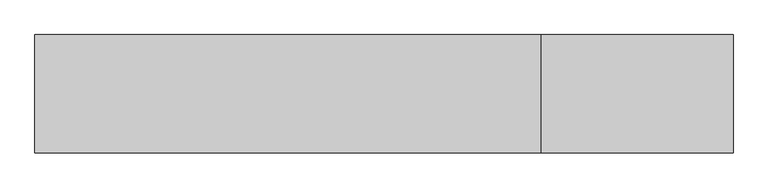
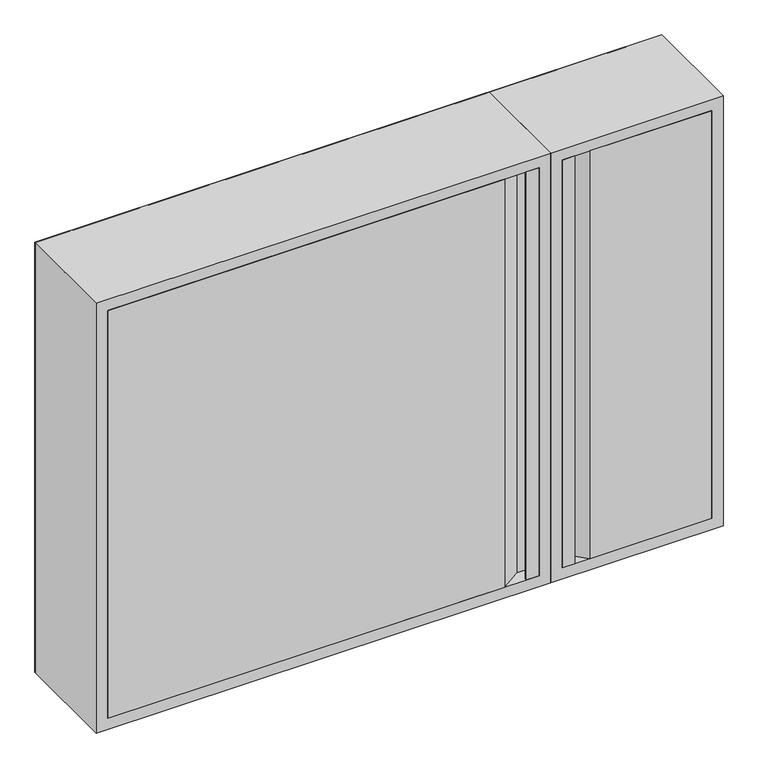
"""IFC4 building model written with IfcOpenShell, lengths in millimetres: fire suppression terminal geometry."""

from ifc_helpers import new_model, si_unit, point, frame, frame_2d, origin, place, context, project, spatial, polyline, circle_curve, trimmed, segment, composite_curve, outline, extrude, faceted_brep, source, transform, mapped, element, save


def fire_suppression_terminal_67b81642(model_context):
    return source(origin(), model_context, "Body", "SolidModel", [
        extrude(outline(composite_curve([segment(trimmed(circle_curve(frame_2d((-355.1374166, -354.9676042)), 3.007614), [point((-352.1298027, -354.9676042))], [point((-358.1450306, -354.9676042))], False, "CARTESIAN"), True, "CONTINUOUS"), segment(trimmed(circle_curve(frame_2d((-355.1374166, -354.9676042)), 3.007614), [point((-358.1450306, -354.9676042))], [point((-352.1298027, -354.9676042))], False, "CARTESIAN"), True, "CONTINUOUS")], self_intersect=False)), frame((0.0, 162.0, 0.0), z_axis=(0.0, 1.0, 0.0), x_axis=(0.0, 0.0, 1.0)), (0.0, 0.0, 1.0), 15.0),
        faceted_brep([(437.0, -3.0, -375.0), (415.0, -3.0, -375.0), (415.0, 22.0, -375.0), (675.0, 22.0, -375.0), (675.0, -3.0, -375.0), (463.5, -3.0, -375.0), (440.0, 20.5, -375.0), (416.5, 20.5, -375.0), (416.5, -1.5, -375.0), (435.5, -1.5, -375.0), (435.5, 0.0, -375.0), (437.0, 0.0, -375.0), (437.0, -3.0, 375.0), (437.0, 0.0, 375.0), (435.5, 0.0, 375.0), (435.5, -1.5, 375.0), (416.5, -1.5, 375.0), (416.5, 20.5, 375.0), (440.0, 20.5, 375.0), (463.5, -3.0, 375.0), (675.0, -3.0, 375.0), (675.0, 22.0, 375.0), (415.0, 22.0, 375.0), (415.0, -3.0, 375.0), (673.5, 22.0, -373.5), (673.5, 22.0, 373.5), (444.2068581, 22.0, 373.5), (444.2068581, 22.0, -373.5), (467.7068581, -1.5, -373.5), (673.5, -1.5, -373.5), (673.5, -1.5, 373.5), (467.7068581, -1.5, 373.5)], [[[0, 1, 2, 3, 4, 5, 6, 7, 8, 9, 10, 11]], [[12, 13, 14, 15, 16, 17, 18, 19, 20, 21, 22, 23]], [[0, 12, 23, 1]], [[1, 23, 22, 2]], [[2, 22, 21, 3], [24, 25, 26, 27]], [[3, 21, 20, 4]], [[5, 19, 18, 6]], [[6, 18, 17, 7]], [[7, 17, 16, 8]], [[8, 16, 15, 9]], [[9, 15, 14, 10]], [[10, 14, 13, 11]], [[11, 13, 12, 0]], [[4, 20, 19, 5]], [[24, 27, 28, 29]], [[26, 25, 30, 31]], [[27, 26, 31, 28]], [[29, 30, 25, 24]], [[28, 31, 30, 29]]]),
        extrude(outline(polyline([(353.0, -3.0), (353.0, 0.0), (354.5, 0.0), (354.5, -1.5), (373.5, -1.5), (373.5, 20.5), (350.0, 20.5), (315.0, -3.0), (-375.0, -3.0), (-375.0, 22.0), (-373.5, 22.0), (-373.5, -1.5), (314.5431419, -1.5), (349.5431419, 22.0), (375.0, 22.0), (375.0, -3.0), (353.0, -3.0)])), frame((0.0, 0.0, -375.0), z_axis=(0.0, 0.0, 1.0), x_axis=(1.0, 0.0, 0.0)), (0.0, 0.0, 1.0), 750.0),
        faceted_brep([(-375.0, 22.0, 375.0), (-375.0, -3.0, 375.0), (-375.0, -3.0, -375.0), (-375.0, 22.0, -375.0), (-376.5, -1.5, 376.5), (-376.5, 22.0, 376.5), (-376.5, 22.0, -376.5), (-376.5, -1.5, -376.5), (-393.5, 180.5, 393.5), (-393.5, -1.5, 393.5), (-393.5, -1.5, -393.5), (-393.5, 180.5, -393.5), (-375.0, 182.0, 375.0), (-375.0, 180.5, 375.0), (-375.0, 180.5, -375.0), (-375.0, 182.0, -375.0), (-395.0, -3.0, 395.0), (-395.0, 182.0, 395.0), (-395.0, 182.0, -395.0), (-395.0, -3.0, -395.0), (375.0, -3.0, -375.0), (375.0, 22.0, -375.0), (376.5, 22.0, -376.5), (376.5, -1.5, -376.5), (393.5, -1.5, -393.5), (393.5, 180.5, -393.5), (375.0, 180.5, -375.0), (375.0, 182.0, -375.0), (395.0, 182.0, -395.0), (395.0, -3.0, -395.0), (375.0, -3.0, 375.0), (375.0, 22.0, 375.0), (376.5, 22.0, 376.5), (376.5, -1.5, 376.5), (393.5, -1.5, 393.5), (393.5, 180.5, 393.5), (375.0, 180.5, 375.0), (375.0, 182.0, 375.0), (395.0, 182.0, 395.0), (395.0, -3.0, 395.0)], [[[0, 1, 2, 3]], [[4, 5, 6, 7]], [[8, 9, 10, 11]], [[12, 13, 14, 15]], [[16, 17, 18, 19]], [[3, 2, 20, 21]], [[7, 6, 22, 23]], [[11, 10, 24, 25]], [[15, 14, 26, 27]], [[19, 18, 28, 29]], [[21, 20, 30, 31]], [[23, 22, 32, 33]], [[25, 24, 34, 35]], [[27, 26, 36, 37]], [[29, 28, 38, 39]], [[1, 0, 31, 30]], [[6, 5, 32, 22], [0, 3, 21, 31]], [[5, 4, 33, 32]], [[10, 9, 34, 24], [4, 7, 23, 33]], [[9, 8, 35, 34]], [[8, 11, 25, 35], [14, 13, 36, 26]], [[13, 12, 37, 36]], [[18, 17, 38, 28], [12, 15, 27, 37]], [[17, 16, 39, 38]], [[16, 19, 29, 39], [2, 1, 30, 20]]]),
        faceted_brep([(415.0, 22.0, 375.0), (415.0, -3.0, 375.0), (415.0, -3.0, -375.0), (415.0, 22.0, -375.0), (413.5, -1.5, 376.5), (413.5, 22.0, 376.5), (413.5, 22.0, -376.5), (413.5, -1.5, -376.5), (396.5, 180.5, 393.5), (396.5, -1.5, 393.5), (396.5, -1.5, -393.5), (396.5, 180.5, -393.5), (415.0, 182.0, 375.0), (415.0, 180.5, 375.0), (415.0, 180.5, -375.0), (415.0, 182.0, -375.0), (395.0, -3.0, 395.0), (395.0, 182.0, 395.0), (395.0, 182.0, -395.0), (395.0, -3.0, -395.0), (675.0, -3.0, -375.0), (675.0, 22.0, -375.0), (676.5, 22.0, -376.5), (676.5, -1.5, -376.5), (693.5, -1.5, -393.5), (693.5, 180.5, -393.5), (675.0, 180.5, -375.0), (675.0, 182.0, -375.0), (695.0, 182.0, -395.0), (695.0, -3.0, -395.0), (675.0, -3.0, 375.0), (675.0, 22.0, 375.0), (676.5, 22.0, 376.5), (676.5, -1.5, 376.5), (693.5, -1.5, 393.5), (693.5, 180.5, 393.5), (675.0, 180.5, 375.0), (675.0, 182.0, 375.0), (695.0, 182.0, 395.0), (695.0, -3.0, 395.0)], [[[0, 1, 2, 3]], [[4, 5, 6, 7]], [[8, 9, 10, 11]], [[12, 13, 14, 15]], [[16, 17, 18, 19]], [[3, 2, 20, 21]], [[7, 6, 22, 23]], [[11, 10, 24, 25]], [[15, 14, 26, 27]], [[19, 18, 28, 29]], [[21, 20, 30, 31]], [[23, 22, 32, 33]], [[25, 24, 34, 35]], [[27, 26, 36, 37]], [[29, 28, 38, 39]], [[31, 30, 1, 0]], [[5, 32, 22, 6], [3, 21, 31, 0]], [[33, 32, 5, 4]], [[9, 34, 24, 10], [7, 23, 33, 4]], [[35, 34, 9, 8]], [[11, 25, 35, 8], [13, 36, 26, 14]], [[37, 36, 13, 12]], [[17, 38, 28, 18], [15, 27, 37, 12]], [[39, 38, 17, 16]], [[19, 29, 39, 16], [1, 30, 20, 2]]]),
        extrude(outline(polyline([(395.0, 695.0), (395.0, -395.0), (-395.0, -395.0), (-395.0, 695.0), (395.0, 695.0)]), holes=[composite_curve([segment(trimmed(circle_curve(frame_2d((-355.1374166, -354.9676042)), 18.5), [point((-355.1374166, -373.4676042))], [point((-355.1374166, -336.4676042))], True, "CARTESIAN"), True, "CONTINUOUS"), segment(trimmed(circle_curve(frame_2d((-355.1374166, -354.9676042)), 18.5), [point((-355.1374166, -336.4676042))], [point((-355.1374166, -373.4676042))], True, "CARTESIAN"), True, "CONTINUOUS")], self_intersect=False)]), frame((0.0, 180.5, 0.0), z_axis=(0.0, 1.0, 0.0), x_axis=(0.0, 0.0, 1.0)), (0.0, 0.0, 1.0), 1.5),
    ])


if __name__ == "__main__":
    model = new_model("IFC4")
    model_context = context("Model", 3, world=origin())
    ifc_project = project(units=[si_unit("LENGTHUNIT", "METRE", prefix="MILLI")], contexts=[model_context])
    site = spatial("IfcSite", under=ifc_project)
    building = spatial("IfcBuilding", under=site)
    placement = place(None, origin())
    fire_suppression_terminal_shape = fire_suppression_terminal_67b81642(model_context)
    element("IfcFireSuppressionTerminal", 1, at=placement, inside=building, context=model_context, shape_type="MappedRepresentation", body=[
        mapped(fire_suppression_terminal_shape, transform((0.0, 0.0, 0.0), x_axis=(1.0, 0.0, 0.0), y_axis=(0.0, 1.0, 0.0), z_axis=(0.0, 0.0, 1.0))),
    ])
    save(model, "model.ifc")
